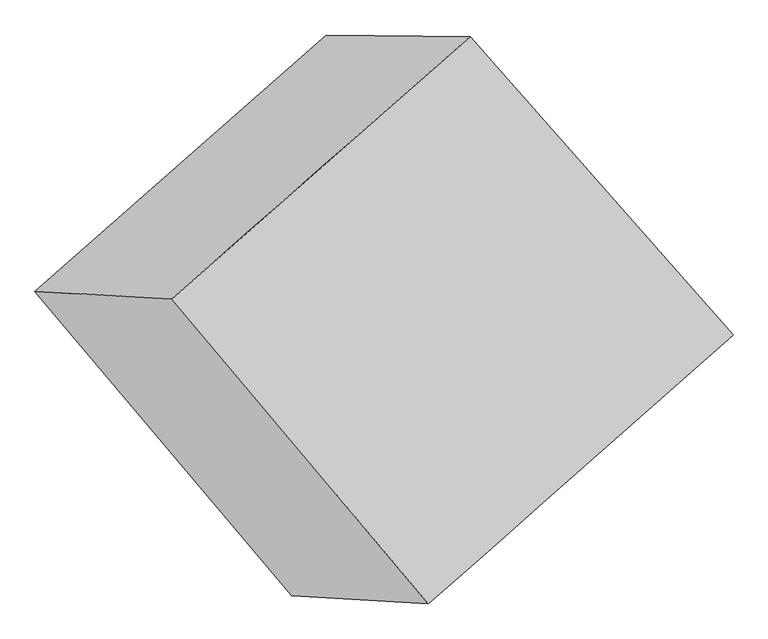
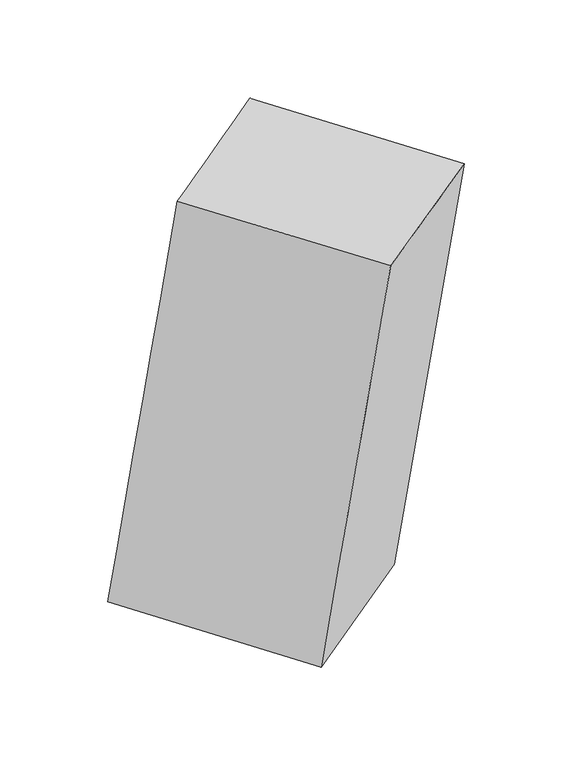
"""IFC4 building model written with IfcOpenShell, lengths in millimetres: proxy geometry."""

from ifc_helpers import new_model, si_unit, frame, origin, place, context, project, spatial, source, transform, mapped, element, save
from ifc_brep_helpers import plane_surface, spline_surface, advanced_brep


def generic_models_39c6199f(model_context):
    return source(origin(), model_context, "Body", "AdvancedBrep", [
        advanced_brep(
        [(-1015.3901666, 1177.3725797, 3601.3843417), (-521.6594833, 1171.0350267, 6409.2327861), (380.8461597, 146.8908143, 6232.1918449), (-96.0361632, 165.5597723, 3438.198134), (-2014.3257121, 296.7167299, 3756.6743833), (-1132.5624359, -748.2023114, 3599.1128049), (-1544.1201788, 271.2954168, 6557.3636758), (-664.1123528, -776.0541031, 6405.8420294)],
        [
            (0, 1),
            (1, 2),
            (2, 3),
            (3, 0),
            (4, 0),
            (3, 5),
            (5, 4),
            (6, 4),
            (5, 7),
            (7, 6),
            (1, 6),
            (7, 2),
        ],
        [
            spline_surface(1, 1, [[(-1015.3901666, 1177.3725797, 3601.3843417), (-96.0361632, 165.5597723, 3438.198134)], [(-521.6594833, 1171.0350267, 6409.2327861), (380.8461597, 146.8908143, 6232.1918449)]], [2, 2], [2, 2], [0.0, 1.0], [0.0, 1.0]),
            spline_surface(1, 1, [[(-2014.3257121, 296.7167299, 3756.6743833), (-1132.5624359, -748.2023114, 3599.1128049)], [(-1015.3901666, 1177.3725797, 3601.3843417), (-96.0361632, 165.5597723, 3438.198134)]], [2, 2], [2, 2], [0.0, 1.0], [0.0, 1.0]),
            spline_surface(1, 1, [[(-1544.1201788, 271.2954168, 6557.3636758), (-664.1123528, -776.0541031, 6405.8420294)], [(-2014.3257121, 296.7167299, 3756.6743833), (-1132.5624359, -748.2023114, 3599.1128049)]], [2, 2], [2, 2], [0.0, 1.0], [0.0, 1.0]),
            spline_surface(1, 1, [[(-521.6594833, 1171.0350267, 6409.2327861), (380.8461597, 146.8908143, 6232.1918449)], [(-1544.1201788, 271.2954168, 6557.3636758), (-664.1123528, -776.0541031, 6405.8420294)]], [2, 2], [2, 2], [0.0, 1.0], [0.0, 1.0]),
            plane_surface(frame((-377.9661981, -302.951457, 4918.8362033), z_axis=(0.6467254205760093, -0.7539390482915519, -0.11542158308571682), x_axis=(-0.74376249444314, -0.6569177683295199, 0.12359772454491842))),
            plane_surface(frame((-1273.8738852, 729.1049383, 5081.1637967), z_axis=(-0.6467254205761009, 0.7539390482914607, 0.11542158308579865), x_axis=(-0.1731820985484258, 0.0022229745239291444, -0.9848873129077405))),
        ],
        [
            (0, [[1, 2, 3, 4]]),
            (1, [[5, -4, 6, 7]]),
            (2, [[8, -7, 9, 10]]),
            (3, [[11, -10, 12, -2]]),
            (4, [[-12, -9, -6, -3]]),
            (5, [[-1, -5, -8, -11]]),
        ],
    ),
    ])


if __name__ == "__main__":
    model = new_model("IFC4")
    model_context = context("Model", 3, world=origin())
    ifc_project = project(units=[si_unit("LENGTHUNIT", "METRE", prefix="MILLI")], contexts=[model_context])
    site = spatial("IfcSite", under=ifc_project)
    building = spatial("IfcBuilding", under=site)
    placement = place(None, origin())
    generic_models_shape = generic_models_39c6199f(model_context)
    element("IfcBuildingElementProxy", 1, Name="Generic Models", at=placement, inside=building, context=model_context, shape_type="MappedRepresentation", body=[
        mapped(generic_models_shape, transform((0.0, 0.0, 0.0), x_axis=(1.0, 0.0, 0.0), y_axis=(0.0, 1.0, 0.0), z_axis=(0.0, 0.0, 1.0))),
    ])
    save(model, "model.ifc")
